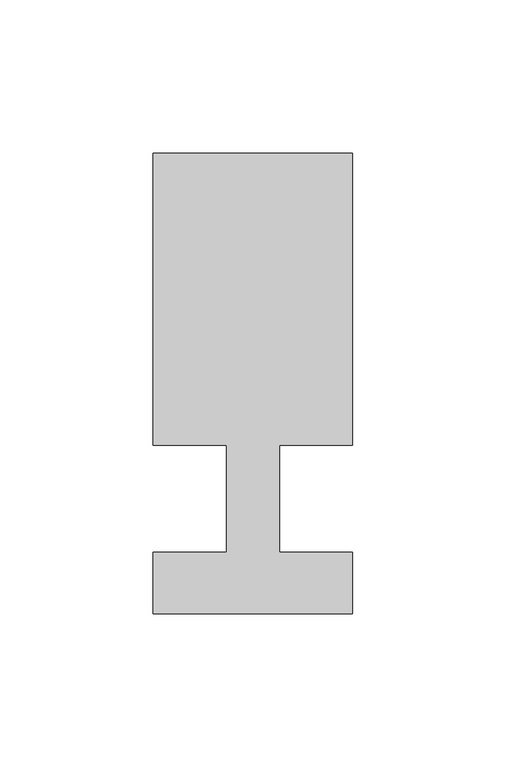
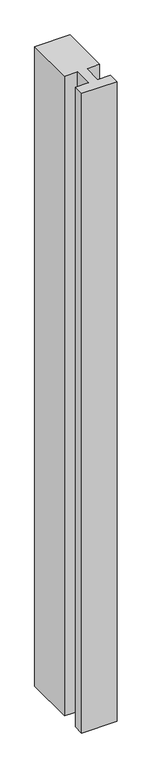
"""IFC4 building model written with IfcOpenShell, lengths in millimetres: member geometry."""

from ifc_helpers import new_model, si_unit, frame, origin, place, context, project, spatial, polyline, outline, extrude, source, transform, mapped, element, save


def member_4c19aec3(model_context):
    return source(origin(), model_context, "Body", "SweptSolid", [
        extrude(outline(polyline([(0.0, -37.0), (-65.0, -37.0), (-65.0, -17.0), (-41.1875, -17.0), (-41.1875, 18.0), (-65.0, 18.0), (-65.0, 113.0), (0.0, 113.0), (0.0, 18.0), (-23.8125, 18.0), (-23.8125, -17.0), (0.0, -17.0), (0.0, -37.0)])), frame((0.0, 0.0, -1246.6666667), z_axis=(0.0, 0.0, 1.0), x_axis=(1.0, 0.0, 0.0)), (0.0, 0.0, 1.0), 1246.6666667),
    ])


if __name__ == "__main__":
    model = new_model("IFC4")
    model_context = context("Model", 3, world=origin())
    ifc_project = project(units=[si_unit("LENGTHUNIT", "METRE", prefix="MILLI")], contexts=[model_context])
    site = spatial("IfcSite", under=ifc_project)
    building = spatial("IfcBuilding", under=site)
    placement = place(None, origin())
    member_shape = member_4c19aec3(model_context)
    element("IfcMember", 1, at=placement, inside=building, context=model_context, shape_type="MappedRepresentation", body=[
        mapped(member_shape, transform((0.0, 0.0, 0.0), x_axis=(1.0, 0.0, 0.0), y_axis=(0.0, 1.0, 0.0), z_axis=(0.0, 0.0, 1.0))),
    ])
    save(model, "model.ifc")
